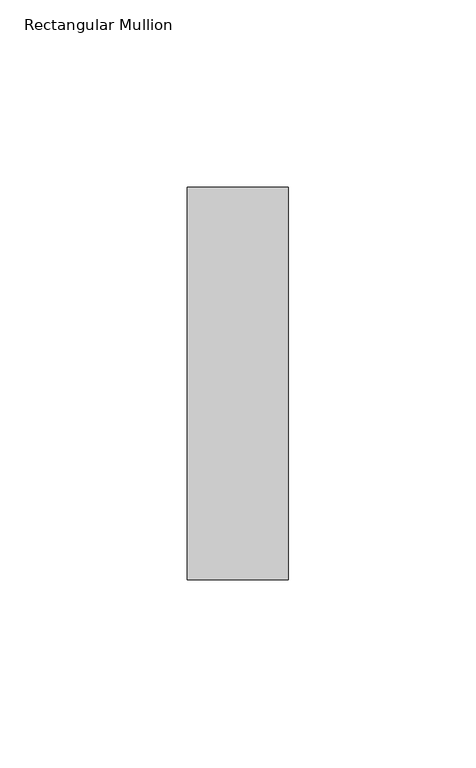
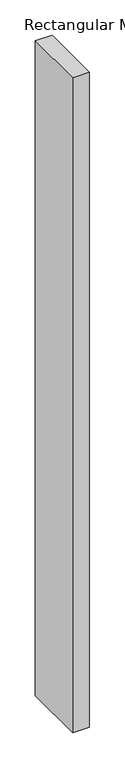
"""IFC4 building model written with IfcOpenShell, lengths in millimetres: member geometry, Rectangular Mullion."""

from ifc_helpers import new_model, si_unit, frame, origin, place, context, project, spatial, polyline, outline, extrude, source, transform, mapped, element, save


def rectangular_mullion_85fb0f7f(model_context):
    return source(origin(), model_context, "Body", "SweptSolid", [
        extrude(outline(polyline([(0.0, 52.3975), (0.0, -52.3975), (-27.0, -52.3975), (-27.0, 52.3975), (0.0, 52.3975)])), frame((0.0, 0.0, -1126.0), z_axis=(0.0, 0.0, 1.0), x_axis=(1.0, 0.0, 0.0)), (0.0, 0.0, 1.0), 1126.0),
    ])


if __name__ == "__main__":
    model = new_model("IFC4")
    model_context = context("Model", 3, world=origin())
    ifc_project = project(units=[si_unit("LENGTHUNIT", "METRE", prefix="MILLI")], contexts=[model_context])
    site = spatial("IfcSite", under=ifc_project)
    building = spatial("IfcBuilding", under=site)
    placement = place(None, origin())
    rectangular_mullion_shape = rectangular_mullion_85fb0f7f(model_context)
    element("IfcMember", 1, ObjectType="Rectangular Mullion", at=placement, inside=building, context=model_context, shape_type="MappedRepresentation", body=[
        mapped(rectangular_mullion_shape, transform((0.0, 0.0, 0.0), x_axis=(1.0, 0.0, 0.0), y_axis=(0.0, 1.0, 0.0), z_axis=(0.0, 0.0, 1.0))),
    ])
    save(model, "model.ifc")
